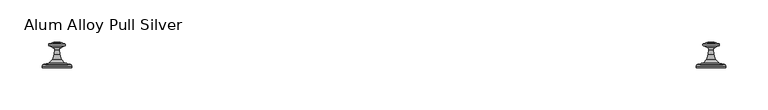
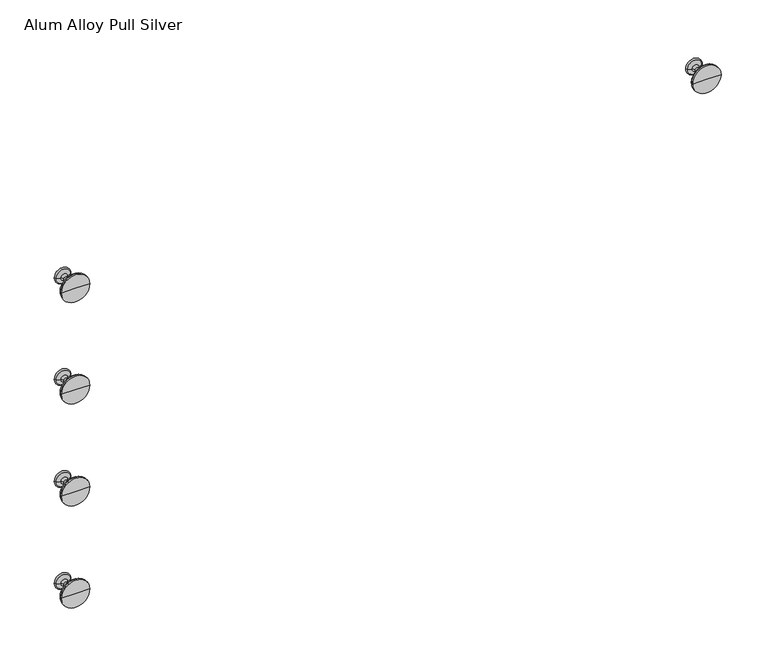
"""IFC4 building model written with IfcOpenShell, lengths in millimetres: furniture geometry, Alum Alloy Pull Silver."""

from ifc_helpers import new_model, si_unit, point, frame, origin, place, context, project, spatial, polyline, circle_curve, ellipse_curve, trimmed, source, transform, mapped, element, save
from ifc_brep_helpers import plane_surface, cylinder_surface, revolved_surface, advanced_brep


def alum_alloy_pull_silver_08def7b0(model_context):
    return source(origin(), model_context, "Body", "AdvancedBrep", [
        advanced_brep(
        [(346.1355663, 257.8192238, 657.9997), (350.6996046, 259.1398554, 657.9997), (360.1854354, 259.1398554, 657.9997), (364.7494737, 257.8192238, 657.9997), (346.2656092, 255.2710872, 657.9997), (364.6194308, 255.2710872, 657.9997), (350.9048174, 253.301007, 657.9997), (359.9802226, 253.301007, 657.9997), (352.7536943, 250.2783323, 657.9997), (358.1313457, 250.2783323, 657.9997), (352.3778815, 245.0166622, 657.9997), (358.5071585, 245.0166622, 657.9997), (350.4313797, 239.1137522, 657.9997), (360.4536603, 239.1137522, 657.9997), (345.9168296, 234.8414839, 657.9997), (364.9682104, 234.8414839, 657.9997), (339.9156334, 233.2231597, 657.9997), (370.9694066, 233.2231597, 657.9997), (338.4975151, 232.6357682, 657.9997), (372.3875249, 232.6357682, 657.9997), (337.9101236, 231.2176499, 657.9997), (372.9749164, 231.2176499, 657.9997), (337.9101236, 229.21214, 657.9997), (372.9749164, 229.21214, 657.9997), (355.44252, 229.21214, 657.9997), (355.44252, 259.5867943, 657.9997)],
        [
            (0, 1),
            (1, 2, circle_curve(frame((355.44252, 259.1398554, 657.9997), z_axis=(0.0, -1.0, 0.0), x_axis=(1.0, 0.0, 0.0)), 4.7429154)),
            (2, 3),
            (3, 0, circle_curve(frame((355.44252, 257.8192238, 657.9997), z_axis=(0.0, 1.0, 0.0), x_axis=(1.0, 0.0, 0.0)), 9.3069537)),
            (2, 1, circle_curve(frame((355.44252, 259.1398554, 657.9997), z_axis=(0.0, -1.0, 0.0), x_axis=(1.0, 0.0, 0.0)), 4.7429154)),
            (0, 3, circle_curve(frame((355.44252, 257.8192238, 657.9997), z_axis=(0.0, 1.0, 0.0), x_axis=(1.0, 0.0, 0.0)), 9.3069537)),
            (4, 0, circle_curve(frame((346.9810655, 256.5849868, 657.9997), z_axis=(0.0, 0.0, -1.0), x_axis=(1.0, 0.0, 0.0)), 1.4960648)),
            (3, 5, circle_curve(frame((363.9039745, 256.5849868, 657.9997), z_axis=(0.0, 0.0, -1.0), x_axis=(-1.0, 0.0, 0.0)), 1.4960648)),
            (5, 4, circle_curve(frame((355.44252, 255.2710872, 657.9997), z_axis=(0.0, 1.0, 0.0), x_axis=(1.0, 0.0, 0.0)), 9.1769108)),
            (4, 5, circle_curve(frame((355.44252, 255.2710872, 657.9997), z_axis=(0.0, 1.0, 0.0), x_axis=(1.0, 0.0, 0.0)), 9.1769108)),
            (6, 4),
            (5, 7),
            (7, 6, circle_curve(frame((355.44252, 253.301007, 657.9997), z_axis=(0.0, 1.0, 0.0), x_axis=(1.0, 0.0, 0.0)), 4.5377026)),
            (6, 7, circle_curve(frame((355.44252, 253.301007, 657.9997), z_axis=(0.0, 1.0, 0.0), x_axis=(1.0, 0.0, 0.0)), 4.5377026)),
            (8, 6, circle_curve(frame((349.7134269, 250.4954823, 657.9997), z_axis=(0.0, 0.0, 1.0), x_axis=(1.0, 0.0, 0.0)), 3.0480125)),
            (7, 9, circle_curve(frame((361.1716131, 250.4954823, 657.9997), z_axis=(0.0, 0.0, 1.0), x_axis=(-1.0, 0.0, 0.0)), 3.0480125)),
            (9, 8, circle_curve(frame((355.44252, 250.2783323, 657.9997), z_axis=(0.0, 1.0, 0.0), x_axis=(1.0, 0.0, 0.0)), 2.6888257)),
            (8, 9, circle_curve(frame((355.44252, 250.2783323, 657.9997), z_axis=(0.0, 1.0, 0.0), x_axis=(1.0, 0.0, 0.0)), 2.6888257)),
            (10, 8),
            (9, 11),
            (11, 10, circle_curve(frame((355.44252, 245.0166622, 657.9997), z_axis=(0.0, 1.0, 0.0), x_axis=(1.0, 0.0, 0.0)), 3.0646385)),
            (10, 11, circle_curve(frame((355.44252, 245.0166622, 657.9997), z_axis=(0.0, 1.0, 0.0), x_axis=(1.0, 0.0, 0.0)), 3.0646385)),
            (12, 10),
            (11, 13),
            (13, 12, circle_curve(frame((355.44252, 239.1137522, 657.9997), z_axis=(0.0, 1.0, 0.0), x_axis=(1.0, 0.0, 0.0)), 5.0111403)),
            (12, 13, circle_curve(frame((355.44252, 239.1137522, 657.9997), z_axis=(0.0, 1.0, 0.0), x_axis=(1.0, 0.0, 0.0)), 5.0111403)),
            (14, 12),
            (13, 15),
            (15, 14, circle_curve(frame((355.44252, 234.8414839, 657.9997), z_axis=(0.0, 1.0, 0.0), x_axis=(1.0, 0.0, 0.0)), 9.5256904)),
            (14, 15, circle_curve(frame((355.44252, 234.8414839, 657.9997), z_axis=(0.0, 1.0, 0.0), x_axis=(1.0, 0.0, 0.0)), 9.5256904)),
            (16, 14),
            (15, 17),
            (17, 16, circle_curve(frame((355.44252, 233.2231597, 657.9997), z_axis=(0.0, 1.0, 0.0), x_axis=(1.0, 0.0, 0.0)), 15.5268866)),
            (16, 17, circle_curve(frame((355.44252, 233.2231597, 657.9997), z_axis=(0.0, 1.0, 0.0), x_axis=(1.0, 0.0, 0.0)), 15.5268866)),
            (18, 16),
            (17, 19),
            (19, 18, circle_curve(frame((355.44252, 232.6357682, 657.9997), z_axis=(0.0, 1.0, 0.0), x_axis=(1.0, 0.0, 0.0)), 16.9450049)),
            (18, 19, circle_curve(frame((355.44252, 232.6357682, 657.9997), z_axis=(0.0, 1.0, 0.0), x_axis=(1.0, 0.0, 0.0)), 16.9450049)),
            (20, 18),
            (19, 21),
            (21, 20, circle_curve(frame((355.44252, 231.2176499, 657.9997), z_axis=(0.0, 1.0, 0.0), x_axis=(1.0, 0.0, 0.0)), 17.5323964)),
            (20, 21, circle_curve(frame((355.44252, 231.2176499, 657.9997), z_axis=(0.0, 1.0, 0.0), x_axis=(1.0, 0.0, 0.0)), 17.5323964)),
            (22, 20),
            (21, 23),
            (23, 22, circle_curve(frame((355.44252, 229.21214, 657.9997), z_axis=(0.0, 1.0, 0.0), x_axis=(1.0, 0.0, 0.0)), 17.5323964)),
            (22, 23, circle_curve(frame((355.44252, 229.21214, 657.9997), z_axis=(0.0, 1.0, 0.0), x_axis=(1.0, 0.0, 0.0)), 17.5323964)),
            (24, 22),
            (23, 24),
            (1, 25),
            (25, 2),
        ],
        [
            revolved_surface(polyline([(360.1854354, 259.1398554, 657.9997), (364.7494737, 257.8192238, 657.9997)]), (355.44252, 259.5867943, 657.9997), (0.0, -1.0, 0.0)),
            revolved_surface(trimmed(ellipse_curve(frame((363.9039745, 256.5849868, 657.9997), z_axis=(0.0, 0.0, -1.0), x_axis=(-1.0, 0.0, 0.0)), 1.4960648, 1.4960648), [point((364.7494737, 257.8192238, 657.9997))], [point((364.6194308, 255.2710872, 657.9997))], True, "CARTESIAN"), (355.44252, 259.5867943, 657.9997), (0.0, -1.0, 0.0)),
            revolved_surface(polyline([(364.6194308, 255.2710872, 657.9997), (359.9802226, 253.301007, 657.9997)]), (355.44252, 259.5867943, 657.9997), (0.0, -1.0, 0.0)),
            revolved_surface(trimmed(ellipse_curve(frame((361.1716131, 250.4954823, 657.9997), z_axis=(0.0, 0.0, 1.0), x_axis=(-1.0, 0.0, 0.0)), 3.0480125, 3.0480125), [point((359.9802226, 253.301007, 657.9997))], [point((358.1313457, 250.2783323, 657.9997))], True, "CARTESIAN"), (355.44252, 259.5867943, 657.9997), (0.0, -1.0, 0.0)),
            revolved_surface(polyline([(358.1313457, 250.2783323, 657.9997), (358.5071585, 245.0166622, 657.9997)]), (355.44252, 259.5867943, 657.9997), (0.0, -1.0, 0.0)),
            revolved_surface(polyline([(358.5071585, 245.0166622, 657.9997), (360.4536603, 239.1137522, 657.9997)]), (355.44252, 259.5867943, 657.9997), (0.0, -1.0, 0.0)),
            revolved_surface(polyline([(360.4536603, 239.1137522, 657.9997), (364.9682104, 234.8414839, 657.9997)]), (355.44252, 259.5867943, 657.9997), (0.0, -1.0, 0.0)),
            revolved_surface(polyline([(364.9682104, 234.8414839, 657.9997), (370.9694066, 233.2231597, 657.9997)]), (355.44252, 259.5867943, 657.9997), (0.0, -1.0, 0.0)),
            revolved_surface(polyline([(370.9694066, 233.2231597, 657.9997), (372.3875249, 232.6357682, 657.9997)]), (355.44252, 259.5867943, 657.9997), (0.0, -1.0, 0.0)),
            revolved_surface(polyline([(372.3875249, 232.6357682, 657.9997), (372.9749164, 231.2176499, 657.9997)]), (355.44252, 259.5867943, 657.9997), (0.0, -1.0, 0.0)),
            cylinder_surface(frame((355.44252, 259.5867943, 657.9997), z_axis=(0.0, -1.0, 0.0), x_axis=(1.0, 0.0, 0.0)), 17.5323964),
            plane_surface(frame((355.44252, 229.21214, 657.9997), z_axis=(0.0, -1.0, 0.0), x_axis=(1.0, 0.0, 0.0))),
            revolved_surface(polyline([(355.44252, 259.5867943, 657.9997), (360.1854354, 259.1398554, 657.9997)]), (355.44252, 259.5867943, 657.9997), (0.0, -1.0, 0.0)),
        ],
        [
            (0, [[1, 2, 3, 4]]),
            (0, [[-3, 5, -1, 6]]),
            (1, [[7, -4, 8, 9]]),
            (1, [[-8, -6, -7, 10]]),
            (2, [[11, -9, 12, 13]]),
            (2, [[-12, -10, -11, 14]]),
            (3, [[15, -13, 16, 17]]),
            (3, [[-16, -14, -15, 18]]),
            (4, [[19, -17, 20, 21]]),
            (4, [[-20, -18, -19, 22]]),
            (5, [[23, -21, 24, 25]]),
            (5, [[-24, -22, -23, 26]]),
            (6, [[27, -25, 28, 29]]),
            (6, [[-28, -26, -27, 30]]),
            (7, [[31, -29, 32, 33]]),
            (7, [[-32, -30, -31, 34]]),
            (8, [[35, -33, 36, 37]]),
            (8, [[-36, -34, -35, 38]]),
            (9, [[39, -37, 40, 41]]),
            (9, [[-40, -38, -39, 42]]),
            (10, [[43, -41, 44, 45]]),
            (10, [[-44, -42, -43, 46]]),
            (11, [[47, -45, 48]]),
            (11, [[-48, -46, -47]]),
            (12, [[49, 50, -2]]),
            (12, [[-50, -49, -5]]),
        ],
    ),
        advanced_brep(
        [(-429.8699937, 257.8192238, 261.112), (-425.3059554, 259.1398554, 261.112), (-415.8201246, 259.1398554, 261.112), (-411.2560863, 257.8192238, 261.112), (-429.7399508, 255.2710872, 261.112), (-411.3861292, 255.2710872, 261.112), (-425.1007426, 253.301007, 261.112), (-416.0253374, 253.301007, 261.112), (-423.2518657, 250.2783323, 261.112), (-417.8742143, 250.2783323, 261.112), (-423.6276785, 245.0166622, 261.112), (-417.4984015, 245.0166622, 261.112), (-425.5741803, 239.1137522, 261.112), (-415.5518997, 239.1137522, 261.112), (-430.0887304, 234.8414839, 261.112), (-411.0373496, 234.8414839, 261.112), (-436.0899266, 233.2231597, 261.112), (-405.0361534, 233.2231597, 261.112), (-437.5080449, 232.6357682, 261.112), (-403.6180351, 232.6357682, 261.112), (-438.0954364, 231.2176499, 261.112), (-403.0306436, 231.2176499, 261.112), (-438.0954364, 229.21214, 261.112), (-403.0306436, 229.21214, 261.112), (-420.56304, 229.21214, 261.112), (-420.56304, 259.5867943, 261.112)],
        [
            (0, 1),
            (1, 2, circle_curve(frame((-420.56304, 259.1398554, 261.112), z_axis=(0.0, -1.0, 0.0), x_axis=(1.0, 0.0, 0.0)), 4.7429154)),
            (2, 3),
            (3, 0, circle_curve(frame((-420.56304, 257.8192238, 261.112), z_axis=(0.0, 1.0, 0.0), x_axis=(1.0, 0.0, 0.0)), 9.3069537)),
            (2, 1, circle_curve(frame((-420.56304, 259.1398554, 261.112), z_axis=(0.0, -1.0, 0.0), x_axis=(1.0, 0.0, 0.0)), 4.7429154)),
            (0, 3, circle_curve(frame((-420.56304, 257.8192238, 261.112), z_axis=(0.0, 1.0, 0.0), x_axis=(1.0, 0.0, 0.0)), 9.3069537)),
            (4, 0, circle_curve(frame((-429.0244945, 256.5849868, 261.112), z_axis=(0.0, 0.0, -1.0), x_axis=(1.0, 0.0, 0.0)), 1.4960648)),
            (3, 5, circle_curve(frame((-412.1015855, 256.5849868, 261.112), z_axis=(0.0, 0.0, -1.0), x_axis=(-1.0, 0.0, 0.0)), 1.4960648)),
            (5, 4, circle_curve(frame((-420.56304, 255.2710872, 261.112), z_axis=(0.0, 1.0, 0.0), x_axis=(1.0, 0.0, 0.0)), 9.1769108)),
            (4, 5, circle_curve(frame((-420.56304, 255.2710872, 261.112), z_axis=(0.0, 1.0, 0.0), x_axis=(1.0, 0.0, 0.0)), 9.1769108)),
            (6, 4),
            (5, 7),
            (7, 6, circle_curve(frame((-420.56304, 253.301007, 261.112), z_axis=(0.0, 1.0, 0.0), x_axis=(1.0, 0.0, 0.0)), 4.5377026)),
            (6, 7, circle_curve(frame((-420.56304, 253.301007, 261.112), z_axis=(0.0, 1.0, 0.0), x_axis=(1.0, 0.0, 0.0)), 4.5377026)),
            (8, 6, circle_curve(frame((-426.2921331, 250.4954823, 261.112), z_axis=(0.0, 0.0, 1.0), x_axis=(1.0, 0.0, 0.0)), 3.0480125)),
            (7, 9, circle_curve(frame((-414.8339469, 250.4954823, 261.112), z_axis=(0.0, 0.0, 1.0), x_axis=(-1.0, 0.0, 0.0)), 3.0480125)),
            (9, 8, circle_curve(frame((-420.56304, 250.2783323, 261.112), z_axis=(0.0, 1.0, 0.0), x_axis=(1.0, 0.0, 0.0)), 2.6888257)),
            (8, 9, circle_curve(frame((-420.56304, 250.2783323, 261.112), z_axis=(0.0, 1.0, 0.0), x_axis=(1.0, 0.0, 0.0)), 2.6888257)),
            (10, 8),
            (9, 11),
            (11, 10, circle_curve(frame((-420.56304, 245.0166622, 261.112), z_axis=(0.0, 1.0, 0.0), x_axis=(1.0, 0.0, 0.0)), 3.0646385)),
            (10, 11, circle_curve(frame((-420.56304, 245.0166622, 261.112), z_axis=(0.0, 1.0, 0.0), x_axis=(1.0, 0.0, 0.0)), 3.0646385)),
            (12, 10),
            (11, 13),
            (13, 12, circle_curve(frame((-420.56304, 239.1137522, 261.112), z_axis=(0.0, 1.0, 0.0), x_axis=(1.0, 0.0, 0.0)), 5.0111403)),
            (12, 13, circle_curve(frame((-420.56304, 239.1137522, 261.112), z_axis=(0.0, 1.0, 0.0), x_axis=(1.0, 0.0, 0.0)), 5.0111403)),
            (14, 12),
            (13, 15),
            (15, 14, circle_curve(frame((-420.56304, 234.8414839, 261.112), z_axis=(0.0, 1.0, 0.0), x_axis=(1.0, 0.0, 0.0)), 9.5256904)),
            (14, 15, circle_curve(frame((-420.56304, 234.8414839, 261.112), z_axis=(0.0, 1.0, 0.0), x_axis=(1.0, 0.0, 0.0)), 9.5256904)),
            (16, 14),
            (15, 17),
            (17, 16, circle_curve(frame((-420.56304, 233.2231597, 261.112), z_axis=(0.0, 1.0, 0.0), x_axis=(1.0, 0.0, 0.0)), 15.5268866)),
            (16, 17, circle_curve(frame((-420.56304, 233.2231597, 261.112), z_axis=(0.0, 1.0, 0.0), x_axis=(1.0, 0.0, 0.0)), 15.5268866)),
            (18, 16),
            (17, 19),
            (19, 18, circle_curve(frame((-420.56304, 232.6357682, 261.112), z_axis=(0.0, 1.0, 0.0), x_axis=(1.0, 0.0, 0.0)), 16.9450049)),
            (18, 19, circle_curve(frame((-420.56304, 232.6357682, 261.112), z_axis=(0.0, 1.0, 0.0), x_axis=(1.0, 0.0, 0.0)), 16.9450049)),
            (20, 18),
            (19, 21),
            (21, 20, circle_curve(frame((-420.56304, 231.2176499, 261.112), z_axis=(0.0, 1.0, 0.0), x_axis=(1.0, 0.0, 0.0)), 17.5323964)),
            (20, 21, circle_curve(frame((-420.56304, 231.2176499, 261.112), z_axis=(0.0, 1.0, 0.0), x_axis=(1.0, 0.0, 0.0)), 17.5323964)),
            (22, 20),
            (21, 23),
            (23, 22, circle_curve(frame((-420.56304, 229.21214, 261.112), z_axis=(0.0, 1.0, 0.0), x_axis=(1.0, 0.0, 0.0)), 17.5323964)),
            (22, 23, circle_curve(frame((-420.56304, 229.21214, 261.112), z_axis=(0.0, 1.0, 0.0), x_axis=(1.0, 0.0, 0.0)), 17.5323964)),
            (24, 22),
            (23, 24),
            (1, 25),
            (25, 2),
        ],
        [
            revolved_surface(polyline([(-415.8201246, 259.1398554, 261.112), (-411.2560863, 257.8192238, 261.112)]), (-420.56304, 259.5867943, 261.112), (0.0, -1.0, 0.0)),
            revolved_surface(trimmed(ellipse_curve(frame((-412.1015855, 256.5849868, 261.112), z_axis=(0.0, 0.0, -1.0), x_axis=(-1.0, 0.0, 0.0)), 1.4960648, 1.4960648), [point((-411.2560863, 257.8192238, 261.112))], [point((-411.3861292, 255.2710872, 261.112))], True, "CARTESIAN"), (-420.56304, 259.5867943, 261.112), (0.0, -1.0, 0.0)),
            revolved_surface(polyline([(-411.3861292, 255.2710872, 261.112), (-416.0253374, 253.301007, 261.112)]), (-420.56304, 259.5867943, 261.112), (0.0, -1.0, 0.0)),
            revolved_surface(trimmed(ellipse_curve(frame((-414.8339469, 250.4954823, 261.112), z_axis=(0.0, 0.0, 1.0), x_axis=(-1.0, 0.0, 0.0)), 3.0480125, 3.0480125), [point((-416.0253374, 253.301007, 261.112))], [point((-417.8742143, 250.2783323, 261.112))], True, "CARTESIAN"), (-420.56304, 259.5867943, 261.112), (0.0, -1.0, 0.0)),
            revolved_surface(polyline([(-417.8742143, 250.2783323, 261.112), (-417.4984015, 245.0166622, 261.112)]), (-420.56304, 259.5867943, 261.112), (0.0, -1.0, 0.0)),
            revolved_surface(polyline([(-417.4984015, 245.0166622, 261.112), (-415.5518997, 239.1137522, 261.112)]), (-420.56304, 259.5867943, 261.112), (0.0, -1.0, 0.0)),
            revolved_surface(polyline([(-415.5518997, 239.1137522, 261.112), (-411.0373496, 234.8414839, 261.112)]), (-420.56304, 259.5867943, 261.112), (0.0, -1.0, 0.0)),
            revolved_surface(polyline([(-411.0373496, 234.8414839, 261.112), (-405.0361534, 233.2231597, 261.112)]), (-420.56304, 259.5867943, 261.112), (0.0, -1.0, 0.0)),
            revolved_surface(polyline([(-405.0361534, 233.2231597, 261.112), (-403.6180351, 232.6357682, 261.112)]), (-420.56304, 259.5867943, 261.112), (0.0, -1.0, 0.0)),
            revolved_surface(polyline([(-403.6180351, 232.6357682, 261.112), (-403.0306436, 231.2176499, 261.112)]), (-420.56304, 259.5867943, 261.112), (0.0, -1.0, 0.0)),
            cylinder_surface(frame((-420.56304, 259.5867943, 261.112), z_axis=(0.0, -1.0, 0.0), x_axis=(1.0, 0.0, 0.0)), 17.5323964),
            plane_surface(frame((-420.56304, 229.21214, 261.112), z_axis=(0.0, -1.0, 0.0), x_axis=(1.0, 0.0, 0.0))),
            revolved_surface(polyline([(-420.56304, 259.5867943, 261.112), (-415.8201246, 259.1398554, 261.112)]), (-420.56304, 259.5867943, 261.112), (0.0, -1.0, 0.0)),
        ],
        [
            (0, [[1, 2, 3, 4]]),
            (0, [[-3, 5, -1, 6]]),
            (1, [[7, -4, 8, 9]]),
            (1, [[-8, -6, -7, 10]]),
            (2, [[11, -9, 12, 13]]),
            (2, [[-12, -10, -11, 14]]),
            (3, [[15, -13, 16, 17]]),
            (3, [[-16, -14, -15, 18]]),
            (4, [[19, -17, 20, 21]]),
            (4, [[-20, -18, -19, 22]]),
            (5, [[23, -21, 24, 25]]),
            (5, [[-24, -22, -23, 26]]),
            (6, [[27, -25, 28, 29]]),
            (6, [[-28, -26, -27, 30]]),
            (7, [[31, -29, 32, 33]]),
            (7, [[-32, -30, -31, 34]]),
            (8, [[35, -33, 36, 37]]),
            (8, [[-36, -34, -35, 38]]),
            (9, [[39, -37, 40, 41]]),
            (9, [[-40, -38, -39, 42]]),
            (10, [[43, -41, 44, 45]]),
            (10, [[-44, -42, -43, 46]]),
            (11, [[47, -45, 48]]),
            (11, [[-48, -46, -47]]),
            (12, [[49, 50, -2]]),
            (12, [[-50, -49, -5]]),
        ],
    ),
        advanced_brep(
        [(-429.8699937, 257.8192238, 393.66825), (-425.3059554, 259.1398554, 393.66825), (-415.8201246, 259.1398554, 393.66825), (-411.2560863, 257.8192238, 393.66825), (-429.7399508, 255.2710872, 393.66825), (-411.3861292, 255.2710872, 393.66825), (-425.1007426, 253.301007, 393.66825), (-416.0253374, 253.301007, 393.66825), (-423.2518657, 250.2783323, 393.66825), (-417.8742143, 250.2783323, 393.66825), (-423.6276785, 245.0166622, 393.66825), (-417.4984015, 245.0166622, 393.66825), (-425.5741803, 239.1137522, 393.66825), (-415.5518997, 239.1137522, 393.66825), (-430.0887304, 234.8414839, 393.66825), (-411.0373496, 234.8414839, 393.66825), (-436.0899266, 233.2231597, 393.66825), (-405.0361534, 233.2231597, 393.66825), (-437.5080449, 232.6357682, 393.66825), (-403.6180351, 232.6357682, 393.66825), (-438.0954364, 231.2176499, 393.66825), (-403.0306436, 231.2176499, 393.66825), (-438.0954364, 229.21214, 393.66825), (-403.0306436, 229.21214, 393.66825), (-420.56304, 229.21214, 393.66825), (-420.56304, 259.5867943, 393.66825)],
        [
            (0, 1),
            (1, 2, circle_curve(frame((-420.56304, 259.1398554, 393.66825), z_axis=(0.0, -1.0, 0.0), x_axis=(1.0, 0.0, 0.0)), 4.7429154)),
            (2, 3),
            (3, 0, circle_curve(frame((-420.56304, 257.8192238, 393.66825), z_axis=(0.0, 1.0, 0.0), x_axis=(1.0, 0.0, 0.0)), 9.3069537)),
            (2, 1, circle_curve(frame((-420.56304, 259.1398554, 393.66825), z_axis=(0.0, -1.0, 0.0), x_axis=(1.0, 0.0, 0.0)), 4.7429154)),
            (0, 3, circle_curve(frame((-420.56304, 257.8192238, 393.66825), z_axis=(0.0, 1.0, 0.0), x_axis=(1.0, 0.0, 0.0)), 9.3069537)),
            (4, 0, circle_curve(frame((-429.0244945, 256.5849868, 393.66825), z_axis=(0.0, 0.0, -1.0), x_axis=(1.0, 0.0, 0.0)), 1.4960648)),
            (3, 5, circle_curve(frame((-412.1015855, 256.5849868, 393.66825), z_axis=(0.0, 0.0, -1.0), x_axis=(-1.0, 0.0, 0.0)), 1.4960648)),
            (5, 4, circle_curve(frame((-420.56304, 255.2710872, 393.66825), z_axis=(0.0, 1.0, 0.0), x_axis=(1.0, 0.0, 0.0)), 9.1769108)),
            (4, 5, circle_curve(frame((-420.56304, 255.2710872, 393.66825), z_axis=(0.0, 1.0, 0.0), x_axis=(1.0, 0.0, 0.0)), 9.1769108)),
            (6, 4),
            (5, 7),
            (7, 6, circle_curve(frame((-420.56304, 253.301007, 393.66825), z_axis=(0.0, 1.0, 0.0), x_axis=(1.0, 0.0, 0.0)), 4.5377026)),
            (6, 7, circle_curve(frame((-420.56304, 253.301007, 393.66825), z_axis=(0.0, 1.0, 0.0), x_axis=(1.0, 0.0, 0.0)), 4.5377026)),
            (8, 6, circle_curve(frame((-426.2921331, 250.4954823, 393.66825), z_axis=(0.0, 0.0, 1.0), x_axis=(1.0, 0.0, 0.0)), 3.0480125)),
            (7, 9, circle_curve(frame((-414.8339469, 250.4954823, 393.66825), z_axis=(0.0, 0.0, 1.0), x_axis=(-1.0, 0.0, 0.0)), 3.0480125)),
            (9, 8, circle_curve(frame((-420.56304, 250.2783323, 393.66825), z_axis=(0.0, 1.0, 0.0), x_axis=(1.0, 0.0, 0.0)), 2.6888257)),
            (8, 9, circle_curve(frame((-420.56304, 250.2783323, 393.66825), z_axis=(0.0, 1.0, 0.0), x_axis=(1.0, 0.0, 0.0)), 2.6888257)),
            (10, 8),
            (9, 11),
            (11, 10, circle_curve(frame((-420.56304, 245.0166622, 393.66825), z_axis=(0.0, 1.0, 0.0), x_axis=(1.0, 0.0, 0.0)), 3.0646385)),
            (10, 11, circle_curve(frame((-420.56304, 245.0166622, 393.66825), z_axis=(0.0, 1.0, 0.0), x_axis=(1.0, 0.0, 0.0)), 3.0646385)),
            (12, 10),
            (11, 13),
            (13, 12, circle_curve(frame((-420.56304, 239.1137522, 393.66825), z_axis=(0.0, 1.0, 0.0), x_axis=(1.0, 0.0, 0.0)), 5.0111403)),
            (12, 13, circle_curve(frame((-420.56304, 239.1137522, 393.66825), z_axis=(0.0, 1.0, 0.0), x_axis=(1.0, 0.0, 0.0)), 5.0111403)),
            (14, 12),
            (13, 15),
            (15, 14, circle_curve(frame((-420.56304, 234.8414839, 393.66825), z_axis=(0.0, 1.0, 0.0), x_axis=(1.0, 0.0, 0.0)), 9.5256904)),
            (14, 15, circle_curve(frame((-420.56304, 234.8414839, 393.66825), z_axis=(0.0, 1.0, 0.0), x_axis=(1.0, 0.0, 0.0)), 9.5256904)),
            (16, 14),
            (15, 17),
            (17, 16, circle_curve(frame((-420.56304, 233.2231597, 393.66825), z_axis=(0.0, 1.0, 0.0), x_axis=(1.0, 0.0, 0.0)), 15.5268866)),
            (16, 17, circle_curve(frame((-420.56304, 233.2231597, 393.66825), z_axis=(0.0, 1.0, 0.0), x_axis=(1.0, 0.0, 0.0)), 15.5268866)),
            (18, 16),
            (17, 19),
            (19, 18, circle_curve(frame((-420.56304, 232.6357682, 393.66825), z_axis=(0.0, 1.0, 0.0), x_axis=(1.0, 0.0, 0.0)), 16.9450049)),
            (18, 19, circle_curve(frame((-420.56304, 232.6357682, 393.66825), z_axis=(0.0, 1.0, 0.0), x_axis=(1.0, 0.0, 0.0)), 16.9450049)),
            (20, 18),
            (19, 21),
            (21, 20, circle_curve(frame((-420.56304, 231.2176499, 393.66825), z_axis=(0.0, 1.0, 0.0), x_axis=(1.0, 0.0, 0.0)), 17.5323964)),
            (20, 21, circle_curve(frame((-420.56304, 231.2176499, 393.66825), z_axis=(0.0, 1.0, 0.0), x_axis=(1.0, 0.0, 0.0)), 17.5323964)),
            (22, 20),
            (21, 23),
            (23, 22, circle_curve(frame((-420.56304, 229.21214, 393.66825), z_axis=(0.0, 1.0, 0.0), x_axis=(1.0, 0.0, 0.0)), 17.5323964)),
            (22, 23, circle_curve(frame((-420.56304, 229.21214, 393.66825), z_axis=(0.0, 1.0, 0.0), x_axis=(1.0, 0.0, 0.0)), 17.5323964)),
            (24, 22),
            (23, 24),
            (1, 25),
            (25, 2),
        ],
        [
            revolved_surface(polyline([(-415.8201246, 259.1398554, 393.66825), (-411.2560863, 257.8192238, 393.66825)]), (-420.56304, 259.5867943, 393.66825), (0.0, -1.0, 0.0)),
            revolved_surface(trimmed(ellipse_curve(frame((-412.1015855, 256.5849868, 393.66825), z_axis=(0.0, 0.0, -1.0), x_axis=(-1.0, 0.0, 0.0)), 1.4960648, 1.4960648), [point((-411.2560863, 257.8192238, 393.66825))], [point((-411.3861292, 255.2710872, 393.66825))], True, "CARTESIAN"), (-420.56304, 259.5867943, 393.66825), (0.0, -1.0, 0.0)),
            revolved_surface(polyline([(-411.3861292, 255.2710872, 393.66825), (-416.0253374, 253.301007, 393.66825)]), (-420.56304, 259.5867943, 393.66825), (0.0, -1.0, 0.0)),
            revolved_surface(trimmed(ellipse_curve(frame((-414.8339469, 250.4954823, 393.66825), z_axis=(0.0, 0.0, 1.0), x_axis=(-1.0, 0.0, 0.0)), 3.0480125, 3.0480125), [point((-416.0253374, 253.301007, 393.66825))], [point((-417.8742143, 250.2783323, 393.66825))], True, "CARTESIAN"), (-420.56304, 259.5867943, 393.66825), (0.0, -1.0, 0.0)),
            revolved_surface(polyline([(-417.8742143, 250.2783323, 393.66825), (-417.4984015, 245.0166622, 393.66825)]), (-420.56304, 259.5867943, 393.66825), (0.0, -1.0, 0.0)),
            revolved_surface(polyline([(-417.4984015, 245.0166622, 393.66825), (-415.5518997, 239.1137522, 393.66825)]), (-420.56304, 259.5867943, 393.66825), (0.0, -1.0, 0.0)),
            revolved_surface(polyline([(-415.5518997, 239.1137522, 393.66825), (-411.0373496, 234.8414839, 393.66825)]), (-420.56304, 259.5867943, 393.66825), (0.0, -1.0, 0.0)),
            revolved_surface(polyline([(-411.0373496, 234.8414839, 393.66825), (-405.0361534, 233.2231597, 393.66825)]), (-420.56304, 259.5867943, 393.66825), (0.0, -1.0, 0.0)),
            revolved_surface(polyline([(-405.0361534, 233.2231597, 393.66825), (-403.6180351, 232.6357682, 393.66825)]), (-420.56304, 259.5867943, 393.66825), (0.0, -1.0, 0.0)),
            revolved_surface(polyline([(-403.6180351, 232.6357682, 393.66825), (-403.0306436, 231.2176499, 393.66825)]), (-420.56304, 259.5867943, 393.66825), (0.0, -1.0, 0.0)),
            cylinder_surface(frame((-420.56304, 259.5867943, 393.66825), z_axis=(0.0, -1.0, 0.0), x_axis=(1.0, 0.0, 0.0)), 17.5323964),
            plane_surface(frame((-420.56304, 229.21214, 393.66825), z_axis=(0.0, -1.0, 0.0), x_axis=(1.0, 0.0, 0.0))),
            revolved_surface(polyline([(-420.56304, 259.5867943, 393.66825), (-415.8201246, 259.1398554, 393.66825)]), (-420.56304, 259.5867943, 393.66825), (0.0, -1.0, 0.0)),
        ],
        [
            (0, [[1, 2, 3, 4]]),
            (0, [[-3, 5, -1, 6]]),
            (1, [[7, -4, 8, 9]]),
            (1, [[-8, -6, -7, 10]]),
            (2, [[11, -9, 12, 13]]),
            (2, [[-12, -10, -11, 14]]),
            (3, [[15, -13, 16, 17]]),
            (3, [[-16, -14, -15, 18]]),
            (4, [[19, -17, 20, 21]]),
            (4, [[-20, -18, -19, 22]]),
            (5, [[23, -21, 24, 25]]),
            (5, [[-24, -22, -23, 26]]),
            (6, [[27, -25, 28, 29]]),
            (6, [[-28, -26, -27, 30]]),
            (7, [[31, -29, 32, 33]]),
            (7, [[-32, -30, -31, 34]]),
            (8, [[35, -33, 36, 37]]),
            (8, [[-36, -34, -35, 38]]),
            (9, [[39, -37, 40, 41]]),
            (9, [[-40, -38, -39, 42]]),
            (10, [[43, -41, 44, 45]]),
            (10, [[-44, -42, -43, 46]]),
            (11, [[47, -45, 48]]),
            (11, [[-48, -46, -47]]),
            (12, [[49, 50, -2]]),
            (12, [[-50, -49, -5]]),
        ],
    ),
        advanced_brep(
        [(-429.8699937, 257.8192238, 526.2245), (-425.3059554, 259.1398554, 526.2245), (-415.8201246, 259.1398554, 526.2245), (-411.2560863, 257.8192238, 526.2245), (-429.7399508, 255.2710872, 526.2245), (-411.3861292, 255.2710872, 526.2245), (-425.1007426, 253.301007, 526.2245), (-416.0253374, 253.301007, 526.2245), (-423.2518657, 250.2783323, 526.2245), (-417.8742143, 250.2783323, 526.2245), (-423.6276785, 245.0166622, 526.2245), (-417.4984015, 245.0166622, 526.2245), (-425.5741803, 239.1137522, 526.2245), (-415.5518997, 239.1137522, 526.2245), (-430.0887304, 234.8414839, 526.2245), (-411.0373496, 234.8414839, 526.2245), (-436.0899266, 233.2231597, 526.2245), (-405.0361534, 233.2231597, 526.2245), (-437.5080449, 232.6357682, 526.2245), (-403.6180351, 232.6357682, 526.2245), (-438.0954364, 231.2176499, 526.2245), (-403.0306436, 231.2176499, 526.2245), (-438.0954364, 229.21214, 526.2245), (-403.0306436, 229.21214, 526.2245), (-420.56304, 229.21214, 526.2245), (-420.56304, 259.5867943, 526.2245)],
        [
            (0, 1),
            (1, 2, circle_curve(frame((-420.56304, 259.1398554, 526.2245), z_axis=(0.0, -1.0, 0.0), x_axis=(1.0, 0.0, 0.0)), 4.7429154)),
            (2, 3),
            (3, 0, circle_curve(frame((-420.56304, 257.8192238, 526.2245), z_axis=(0.0, 1.0, 0.0), x_axis=(1.0, 0.0, 0.0)), 9.3069537)),
            (2, 1, circle_curve(frame((-420.56304, 259.1398554, 526.2245), z_axis=(0.0, -1.0, 0.0), x_axis=(1.0, 0.0, 0.0)), 4.7429154)),
            (0, 3, circle_curve(frame((-420.56304, 257.8192238, 526.2245), z_axis=(0.0, 1.0, 0.0), x_axis=(1.0, 0.0, 0.0)), 9.3069537)),
            (4, 0, circle_curve(frame((-429.0244945, 256.5849868, 526.2245), z_axis=(0.0, 0.0, -1.0), x_axis=(1.0, 0.0, 0.0)), 1.4960648)),
            (3, 5, circle_curve(frame((-412.1015855, 256.5849868, 526.2245), z_axis=(0.0, 0.0, -1.0), x_axis=(-1.0, 0.0, 0.0)), 1.4960648)),
            (5, 4, circle_curve(frame((-420.56304, 255.2710872, 526.2245), z_axis=(0.0, 1.0, 0.0), x_axis=(1.0, 0.0, 0.0)), 9.1769108)),
            (4, 5, circle_curve(frame((-420.56304, 255.2710872, 526.2245), z_axis=(0.0, 1.0, 0.0), x_axis=(1.0, 0.0, 0.0)), 9.1769108)),
            (6, 4),
            (5, 7),
            (7, 6, circle_curve(frame((-420.56304, 253.301007, 526.2245), z_axis=(0.0, 1.0, 0.0), x_axis=(1.0, 0.0, 0.0)), 4.5377026)),
            (6, 7, circle_curve(frame((-420.56304, 253.301007, 526.2245), z_axis=(0.0, 1.0, 0.0), x_axis=(1.0, 0.0, 0.0)), 4.5377026)),
            (8, 6, circle_curve(frame((-426.2921331, 250.4954823, 526.2245), z_axis=(0.0, 0.0, 1.0), x_axis=(1.0, 0.0, 0.0)), 3.0480125)),
            (7, 9, circle_curve(frame((-414.8339469, 250.4954823, 526.2245), z_axis=(0.0, 0.0, 1.0), x_axis=(-1.0, 0.0, 0.0)), 3.0480125)),
            (9, 8, circle_curve(frame((-420.56304, 250.2783323, 526.2245), z_axis=(0.0, 1.0, 0.0), x_axis=(1.0, 0.0, 0.0)), 2.6888257)),
            (8, 9, circle_curve(frame((-420.56304, 250.2783323, 526.2245), z_axis=(0.0, 1.0, 0.0), x_axis=(1.0, 0.0, 0.0)), 2.6888257)),
            (10, 8),
            (9, 11),
            (11, 10, circle_curve(frame((-420.56304, 245.0166622, 526.2245), z_axis=(0.0, 1.0, 0.0), x_axis=(1.0, 0.0, 0.0)), 3.0646385)),
            (10, 11, circle_curve(frame((-420.56304, 245.0166622, 526.2245), z_axis=(0.0, 1.0, 0.0), x_axis=(1.0, 0.0, 0.0)), 3.0646385)),
            (12, 10),
            (11, 13),
            (13, 12, circle_curve(frame((-420.56304, 239.1137522, 526.2245), z_axis=(0.0, 1.0, 0.0), x_axis=(1.0, 0.0, 0.0)), 5.0111403)),
            (12, 13, circle_curve(frame((-420.56304, 239.1137522, 526.2245), z_axis=(0.0, 1.0, 0.0), x_axis=(1.0, 0.0, 0.0)), 5.0111403)),
            (14, 12),
            (13, 15),
            (15, 14, circle_curve(frame((-420.56304, 234.8414839, 526.2245), z_axis=(0.0, 1.0, 0.0), x_axis=(1.0, 0.0, 0.0)), 9.5256904)),
            (14, 15, circle_curve(frame((-420.56304, 234.8414839, 526.2245), z_axis=(0.0, 1.0, 0.0), x_axis=(1.0, 0.0, 0.0)), 9.5256904)),
            (16, 14),
            (15, 17),
            (17, 16, circle_curve(frame((-420.56304, 233.2231597, 526.2245), z_axis=(0.0, 1.0, 0.0), x_axis=(1.0, 0.0, 0.0)), 15.5268866)),
            (16, 17, circle_curve(frame((-420.56304, 233.2231597, 526.2245), z_axis=(0.0, 1.0, 0.0), x_axis=(1.0, 0.0, 0.0)), 15.5268866)),
            (18, 16),
            (17, 19),
            (19, 18, circle_curve(frame((-420.56304, 232.6357682, 526.2245), z_axis=(0.0, 1.0, 0.0), x_axis=(1.0, 0.0, 0.0)), 16.9450049)),
            (18, 19, circle_curve(frame((-420.56304, 232.6357682, 526.2245), z_axis=(0.0, 1.0, 0.0), x_axis=(1.0, 0.0, 0.0)), 16.9450049)),
            (20, 18),
            (19, 21),
            (21, 20, circle_curve(frame((-420.56304, 231.2176499, 526.2245), z_axis=(0.0, 1.0, 0.0), x_axis=(1.0, 0.0, 0.0)), 17.5323964)),
            (20, 21, circle_curve(frame((-420.56304, 231.2176499, 526.2245), z_axis=(0.0, 1.0, 0.0), x_axis=(1.0, 0.0, 0.0)), 17.5323964)),
            (22, 20),
            (21, 23),
            (23, 22, circle_curve(frame((-420.56304, 229.21214, 526.2245), z_axis=(0.0, 1.0, 0.0), x_axis=(1.0, 0.0, 0.0)), 17.5323964)),
            (22, 23, circle_curve(frame((-420.56304, 229.21214, 526.2245), z_axis=(0.0, 1.0, 0.0), x_axis=(1.0, 0.0, 0.0)), 17.5323964)),
            (24, 22),
            (23, 24),
            (1, 25),
            (25, 2),
        ],
        [
            revolved_surface(polyline([(-415.8201246, 259.1398554, 526.2245), (-411.2560863, 257.8192238, 526.2245)]), (-420.56304, 259.5867943, 526.2245), (0.0, -1.0, 0.0)),
            revolved_surface(trimmed(ellipse_curve(frame((-412.1015855, 256.5849868, 526.2245), z_axis=(0.0, 0.0, -1.0), x_axis=(-1.0, 0.0, 0.0)), 1.4960648, 1.4960648), [point((-411.2560863, 257.8192238, 526.2245))], [point((-411.3861292, 255.2710872, 526.2245))], True, "CARTESIAN"), (-420.56304, 259.5867943, 526.2245), (0.0, -1.0, 0.0)),
            revolved_surface(polyline([(-411.3861292, 255.2710872, 526.2245), (-416.0253374, 253.301007, 526.2245)]), (-420.56304, 259.5867943, 526.2245), (0.0, -1.0, 0.0)),
            revolved_surface(trimmed(ellipse_curve(frame((-414.8339469, 250.4954823, 526.2245), z_axis=(0.0, 0.0, 1.0), x_axis=(-1.0, 0.0, 0.0)), 3.0480125, 3.0480125), [point((-416.0253374, 253.301007, 526.2245))], [point((-417.8742143, 250.2783323, 526.2245))], True, "CARTESIAN"), (-420.56304, 259.5867943, 526.2245), (0.0, -1.0, 0.0)),
            revolved_surface(polyline([(-417.8742143, 250.2783323, 526.2245), (-417.4984015, 245.0166622, 526.2245)]), (-420.56304, 259.5867943, 526.2245), (0.0, -1.0, 0.0)),
            revolved_surface(polyline([(-417.4984015, 245.0166622, 526.2245), (-415.5518997, 239.1137522, 526.2245)]), (-420.56304, 259.5867943, 526.2245), (0.0, -1.0, 0.0)),
            revolved_surface(polyline([(-415.5518997, 239.1137522, 526.2245), (-411.0373496, 234.8414839, 526.2245)]), (-420.56304, 259.5867943, 526.2245), (0.0, -1.0, 0.0)),
            revolved_surface(polyline([(-411.0373496, 234.8414839, 526.2245), (-405.0361534, 233.2231597, 526.2245)]), (-420.56304, 259.5867943, 526.2245), (0.0, -1.0, 0.0)),
            revolved_surface(polyline([(-405.0361534, 233.2231597, 526.2245), (-403.6180351, 232.6357682, 526.2245)]), (-420.56304, 259.5867943, 526.2245), (0.0, -1.0, 0.0)),
            revolved_surface(polyline([(-403.6180351, 232.6357682, 526.2245), (-403.0306436, 231.2176499, 526.2245)]), (-420.56304, 259.5867943, 526.2245), (0.0, -1.0, 0.0)),
            cylinder_surface(frame((-420.56304, 259.5867943, 526.2245), z_axis=(0.0, -1.0, 0.0), x_axis=(1.0, 0.0, 0.0)), 17.5323964),
            plane_surface(frame((-420.56304, 229.21214, 526.2245), z_axis=(0.0, -1.0, 0.0), x_axis=(1.0, 0.0, 0.0))),
            revolved_surface(polyline([(-420.56304, 259.5867943, 526.2245), (-415.8201246, 259.1398554, 526.2245)]), (-420.56304, 259.5867943, 526.2245), (0.0, -1.0, 0.0)),
        ],
        [
            (0, [[1, 2, 3, 4]]),
            (0, [[-3, 5, -1, 6]]),
            (1, [[7, -4, 8, 9]]),
            (1, [[-8, -6, -7, 10]]),
            (2, [[11, -9, 12, 13]]),
            (2, [[-12, -10, -11, 14]]),
            (3, [[15, -13, 16, 17]]),
            (3, [[-16, -14, -15, 18]]),
            (4, [[19, -17, 20, 21]]),
            (4, [[-20, -18, -19, 22]]),
            (5, [[23, -21, 24, 25]]),
            (5, [[-24, -22, -23, 26]]),
            (6, [[27, -25, 28, 29]]),
            (6, [[-28, -26, -27, 30]]),
            (7, [[31, -29, 32, 33]]),
            (7, [[-32, -30, -31, 34]]),
            (8, [[35, -33, 36, 37]]),
            (8, [[-36, -34, -35, 38]]),
            (9, [[39, -37, 40, 41]]),
            (9, [[-40, -38, -39, 42]]),
            (10, [[43, -41, 44, 45]]),
            (10, [[-44, -42, -43, 46]]),
            (11, [[47, -45, 48]]),
            (11, [[-48, -46, -47]]),
            (12, [[49, 50, -2]]),
            (12, [[-50, -49, -5]]),
        ],
    ),
        advanced_brep(
        [(-429.8699937, 257.8192238, 657.9997), (-425.3059554, 259.1398554, 657.9997), (-415.8201246, 259.1398554, 657.9997), (-411.2560863, 257.8192238, 657.9997), (-429.7399508, 255.2710872, 657.9997), (-411.3861292, 255.2710872, 657.9997), (-425.1007426, 253.301007, 657.9997), (-416.0253374, 253.301007, 657.9997), (-423.2518657, 250.2783323, 657.9997), (-417.8742143, 250.2783323, 657.9997), (-423.6276785, 245.0166622, 657.9997), (-417.4984015, 245.0166622, 657.9997), (-425.5741803, 239.1137522, 657.9997), (-415.5518997, 239.1137522, 657.9997), (-430.0887304, 234.8414839, 657.9997), (-411.0373496, 234.8414839, 657.9997), (-436.0899266, 233.2231597, 657.9997), (-405.0361534, 233.2231597, 657.9997), (-437.5080449, 232.6357682, 657.9997), (-403.6180351, 232.6357682, 657.9997), (-438.0954364, 231.2176499, 657.9997), (-403.0306436, 231.2176499, 657.9997), (-438.0954364, 229.21214, 657.9997), (-403.0306436, 229.21214, 657.9997), (-420.56304, 229.21214, 657.9997), (-420.56304, 259.5867943, 657.9997)],
        [
            (0, 1),
            (1, 2, circle_curve(frame((-420.56304, 259.1398554, 657.9997), z_axis=(0.0, -1.0, 0.0), x_axis=(1.0, 0.0, 0.0)), 4.7429154)),
            (2, 3),
            (3, 0, circle_curve(frame((-420.56304, 257.8192238, 657.9997), z_axis=(0.0, 1.0, 0.0), x_axis=(1.0, 0.0, 0.0)), 9.3069537)),
            (2, 1, circle_curve(frame((-420.56304, 259.1398554, 657.9997), z_axis=(0.0, -1.0, 0.0), x_axis=(1.0, 0.0, 0.0)), 4.7429154)),
            (0, 3, circle_curve(frame((-420.56304, 257.8192238, 657.9997), z_axis=(0.0, 1.0, 0.0), x_axis=(1.0, 0.0, 0.0)), 9.3069537)),
            (4, 0, circle_curve(frame((-429.0244945, 256.5849868, 657.9997), z_axis=(0.0, 0.0, -1.0), x_axis=(1.0, 0.0, 0.0)), 1.4960648)),
            (3, 5, circle_curve(frame((-412.1015855, 256.5849868, 657.9997), z_axis=(0.0, 0.0, -1.0), x_axis=(-1.0, 0.0, 0.0)), 1.4960648)),
            (5, 4, circle_curve(frame((-420.56304, 255.2710872, 657.9997), z_axis=(0.0, 1.0, 0.0), x_axis=(1.0, 0.0, 0.0)), 9.1769108)),
            (4, 5, circle_curve(frame((-420.56304, 255.2710872, 657.9997), z_axis=(0.0, 1.0, 0.0), x_axis=(1.0, 0.0, 0.0)), 9.1769108)),
            (6, 4),
            (5, 7),
            (7, 6, circle_curve(frame((-420.56304, 253.301007, 657.9997), z_axis=(0.0, 1.0, 0.0), x_axis=(1.0, 0.0, 0.0)), 4.5377026)),
            (6, 7, circle_curve(frame((-420.56304, 253.301007, 657.9997), z_axis=(0.0, 1.0, 0.0), x_axis=(1.0, 0.0, 0.0)), 4.5377026)),
            (8, 6, circle_curve(frame((-426.2921331, 250.4954823, 657.9997), z_axis=(0.0, 0.0, 1.0), x_axis=(1.0, 0.0, 0.0)), 3.0480125)),
            (7, 9, circle_curve(frame((-414.8339469, 250.4954823, 657.9997), z_axis=(0.0, 0.0, 1.0), x_axis=(-1.0, 0.0, 0.0)), 3.0480125)),
            (9, 8, circle_curve(frame((-420.56304, 250.2783323, 657.9997), z_axis=(0.0, 1.0, 0.0), x_axis=(1.0, 0.0, 0.0)), 2.6888257)),
            (8, 9, circle_curve(frame((-420.56304, 250.2783323, 657.9997), z_axis=(0.0, 1.0, 0.0), x_axis=(1.0, 0.0, 0.0)), 2.6888257)),
            (10, 8),
            (9, 11),
            (11, 10, circle_curve(frame((-420.56304, 245.0166622, 657.9997), z_axis=(0.0, 1.0, 0.0), x_axis=(1.0, 0.0, 0.0)), 3.0646385)),
            (10, 11, circle_curve(frame((-420.56304, 245.0166622, 657.9997), z_axis=(0.0, 1.0, 0.0), x_axis=(1.0, 0.0, 0.0)), 3.0646385)),
            (12, 10),
            (11, 13),
            (13, 12, circle_curve(frame((-420.56304, 239.1137522, 657.9997), z_axis=(0.0, 1.0, 0.0), x_axis=(1.0, 0.0, 0.0)), 5.0111403)),
            (12, 13, circle_curve(frame((-420.56304, 239.1137522, 657.9997), z_axis=(0.0, 1.0, 0.0), x_axis=(1.0, 0.0, 0.0)), 5.0111403)),
            (14, 12),
            (13, 15),
            (15, 14, circle_curve(frame((-420.56304, 234.8414839, 657.9997), z_axis=(0.0, 1.0, 0.0), x_axis=(1.0, 0.0, 0.0)), 9.5256904)),
            (14, 15, circle_curve(frame((-420.56304, 234.8414839, 657.9997), z_axis=(0.0, 1.0, 0.0), x_axis=(1.0, 0.0, 0.0)), 9.5256904)),
            (16, 14),
            (15, 17),
            (17, 16, circle_curve(frame((-420.56304, 233.2231597, 657.9997), z_axis=(0.0, 1.0, 0.0), x_axis=(1.0, 0.0, 0.0)), 15.5268866)),
            (16, 17, circle_curve(frame((-420.56304, 233.2231597, 657.9997), z_axis=(0.0, 1.0, 0.0), x_axis=(1.0, 0.0, 0.0)), 15.5268866)),
            (18, 16),
            (17, 19),
            (19, 18, circle_curve(frame((-420.56304, 232.6357682, 657.9997), z_axis=(0.0, 1.0, 0.0), x_axis=(1.0, 0.0, 0.0)), 16.9450049)),
            (18, 19, circle_curve(frame((-420.56304, 232.6357682, 657.9997), z_axis=(0.0, 1.0, 0.0), x_axis=(1.0, 0.0, 0.0)), 16.9450049)),
            (20, 18),
            (19, 21),
            (21, 20, circle_curve(frame((-420.56304, 231.2176499, 657.9997), z_axis=(0.0, 1.0, 0.0), x_axis=(1.0, 0.0, 0.0)), 17.5323964)),
            (20, 21, circle_curve(frame((-420.56304, 231.2176499, 657.9997), z_axis=(0.0, 1.0, 0.0), x_axis=(1.0, 0.0, 0.0)), 17.5323964)),
            (22, 20),
            (21, 23),
            (23, 22, circle_curve(frame((-420.56304, 229.21214, 657.9997), z_axis=(0.0, 1.0, 0.0), x_axis=(1.0, 0.0, 0.0)), 17.5323964)),
            (22, 23, circle_curve(frame((-420.56304, 229.21214, 657.9997), z_axis=(0.0, 1.0, 0.0), x_axis=(1.0, 0.0, 0.0)), 17.5323964)),
            (24, 22),
            (23, 24),
            (1, 25),
            (25, 2),
        ],
        [
            revolved_surface(polyline([(-415.8201246, 259.1398554, 657.9997), (-411.2560863, 257.8192238, 657.9997)]), (-420.56304, 259.5867943, 657.9997), (0.0, -1.0, 0.0)),
            revolved_surface(trimmed(ellipse_curve(frame((-412.1015855, 256.5849868, 657.9997), z_axis=(0.0, 0.0, -1.0), x_axis=(-1.0, 0.0, 0.0)), 1.4960648, 1.4960648), [point((-411.2560863, 257.8192238, 657.9997))], [point((-411.3861292, 255.2710872, 657.9997))], True, "CARTESIAN"), (-420.56304, 259.5867943, 657.9997), (0.0, -1.0, 0.0)),
            revolved_surface(polyline([(-411.3861292, 255.2710872, 657.9997), (-416.0253374, 253.301007, 657.9997)]), (-420.56304, 259.5867943, 657.9997), (0.0, -1.0, 0.0)),
            revolved_surface(trimmed(ellipse_curve(frame((-414.8339469, 250.4954823, 657.9997), z_axis=(0.0, 0.0, 1.0), x_axis=(-1.0, 0.0, 0.0)), 3.0480125, 3.0480125), [point((-416.0253374, 253.301007, 657.9997))], [point((-417.8742143, 250.2783323, 657.9997))], True, "CARTESIAN"), (-420.56304, 259.5867943, 657.9997), (0.0, -1.0, 0.0)),
            revolved_surface(polyline([(-417.8742143, 250.2783323, 657.9997), (-417.4984015, 245.0166622, 657.9997)]), (-420.56304, 259.5867943, 657.9997), (0.0, -1.0, 0.0)),
            revolved_surface(polyline([(-417.4984015, 245.0166622, 657.9997), (-415.5518997, 239.1137522, 657.9997)]), (-420.56304, 259.5867943, 657.9997), (0.0, -1.0, 0.0)),
            revolved_surface(polyline([(-415.5518997, 239.1137522, 657.9997), (-411.0373496, 234.8414839, 657.9997)]), (-420.56304, 259.5867943, 657.9997), (0.0, -1.0, 0.0)),
            revolved_surface(polyline([(-411.0373496, 234.8414839, 657.9997), (-405.0361534, 233.2231597, 657.9997)]), (-420.56304, 259.5867943, 657.9997), (0.0, -1.0, 0.0)),
            revolved_surface(polyline([(-405.0361534, 233.2231597, 657.9997), (-403.6180351, 232.6357682, 657.9997)]), (-420.56304, 259.5867943, 657.9997), (0.0, -1.0, 0.0)),
            revolved_surface(polyline([(-403.6180351, 232.6357682, 657.9997), (-403.0306436, 231.2176499, 657.9997)]), (-420.56304, 259.5867943, 657.9997), (0.0, -1.0, 0.0)),
            cylinder_surface(frame((-420.56304, 259.5867943, 657.9997), z_axis=(0.0, -1.0, 0.0), x_axis=(1.0, 0.0, 0.0)), 17.5323964),
            plane_surface(frame((-420.56304, 229.21214, 657.9997), z_axis=(0.0, -1.0, 0.0), x_axis=(1.0, 0.0, 0.0))),
            revolved_surface(polyline([(-420.56304, 259.5867943, 657.9997), (-415.8201246, 259.1398554, 657.9997)]), (-420.56304, 259.5867943, 657.9997), (0.0, -1.0, 0.0)),
        ],
        [
            (0, [[1, 2, 3, 4]]),
            (0, [[-3, 5, -1, 6]]),
            (1, [[7, -4, 8, 9]]),
            (1, [[-8, -6, -7, 10]]),
            (2, [[11, -9, 12, 13]]),
            (2, [[-12, -10, -11, 14]]),
            (3, [[15, -13, 16, 17]]),
            (3, [[-16, -14, -15, 18]]),
            (4, [[19, -17, 20, 21]]),
            (4, [[-20, -18, -19, 22]]),
            (5, [[23, -21, 24, 25]]),
            (5, [[-24, -22, -23, 26]]),
            (6, [[27, -25, 28, 29]]),
            (6, [[-28, -26, -27, 30]]),
            (7, [[31, -29, 32, 33]]),
            (7, [[-32, -30, -31, 34]]),
            (8, [[35, -33, 36, 37]]),
            (8, [[-36, -34, -35, 38]]),
            (9, [[39, -37, 40, 41]]),
            (9, [[-40, -38, -39, 42]]),
            (10, [[43, -41, 44, 45]]),
            (10, [[-44, -42, -43, 46]]),
            (11, [[47, -45, 48]]),
            (11, [[-48, -46, -47]]),
            (12, [[49, 50, -2]]),
            (12, [[-50, -49, -5]]),
        ],
    ),
    ])


if __name__ == "__main__":
    model = new_model("IFC4")
    model_context = context("Model", 3, world=origin())
    ifc_project = project(units=[si_unit("LENGTHUNIT", "METRE", prefix="MILLI")], contexts=[model_context])
    site = spatial("IfcSite", under=ifc_project)
    building = spatial("IfcBuilding", under=site)
    placement = place(None, origin())
    alum_alloy_pull_silver_shape = alum_alloy_pull_silver_08def7b0(model_context)
    element("IfcFurniture", 1, ObjectType="Alum Alloy Pull Silver", at=placement, inside=building, context=model_context, shape_type="MappedRepresentation", body=[
        mapped(alum_alloy_pull_silver_shape, transform((0.0, 0.0, 0.0), x_axis=(1.0, 0.0, 0.0), y_axis=(0.0, 1.0, 0.0), z_axis=(0.0, 0.0, 1.0))),
    ])
    save(model, "model.ifc")
